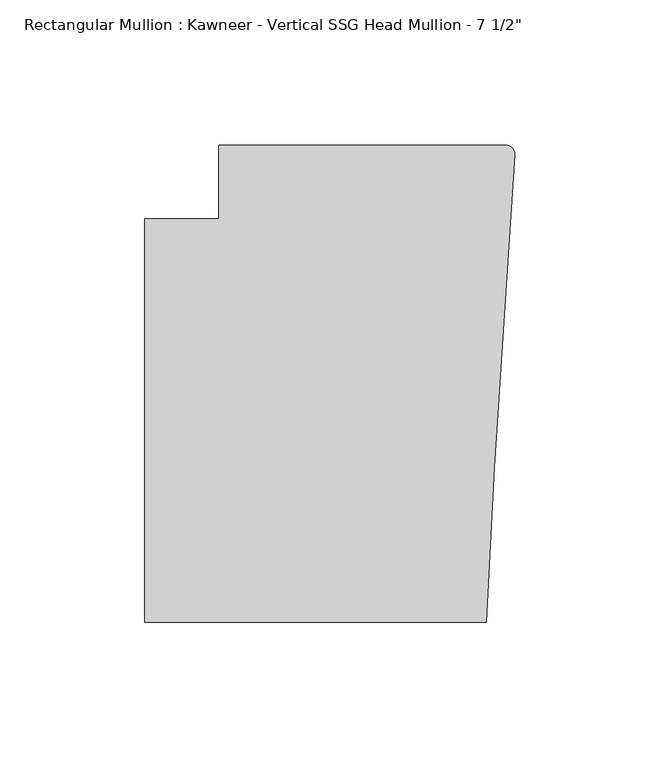
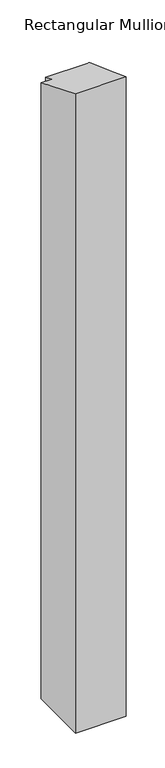
"""IFC4 building model written with IfcOpenShell, lengths in millimetres: member geometry."""

from ifc_helpers import new_model, si_unit, frame, origin, place, context, project, spatial, circle_curve, ellipse_curve, source, transform, mapped, element, save
from ifc_brep_helpers import plane_surface, cylinder_surface, advanced_brep


def member_383f64cc(model_context):
    return source(origin(), model_context, "Body", "AdvancedBrep", [
        advanced_brep(
        [(-102.08978, 12.7, -1513.3454004), (-3.175, 12.7, -1513.3454004), (-0.006635, 9.3198462, -1513.3454004), (-6.9873394, -98.4891117, -1513.3454004), (-9.7860662, -151.892, -1513.3454004), (-127.4896668, -151.892, -1513.3454004), (-127.4896668, -12.7, -1513.3454004), (-102.08978, -12.7, -1513.3454004), (-102.08978, -12.7, 5.2605122), (-102.08978, 12.7, -5.2605122), (-127.4896668, -12.7, 5.2605122), (-127.4896668, -151.892, 62.9157264), (-9.7860662, -151.892, 62.9157264), (-6.9873394, -98.4891117, 40.7955258), (-0.006635, 9.3198462, -3.8604067), (-3.175, 12.7, -5.2605122)],
        [
            (0, 1),
            (1, 2, circle_curve(frame((-3.175, 9.525, -1513.3454004), z_axis=(0.0, 0.0, -1.0), x_axis=(0.0, 1.0, 0.0)), 3.175)),
            (2, 3),
            (3, 4),
            (4, 5),
            (5, 6),
            (6, 7),
            (7, 0),
            (8, 9),
            (9, 0),
            (7, 8),
            (10, 8),
            (6, 10),
            (11, 10),
            (5, 11),
            (12, 11),
            (4, 12),
            (13, 12),
            (3, 13),
            (14, 13),
            (2, 14),
            (15, 14, ellipse_curve(frame((-3.175, 9.525, -3.9453842), z_axis=(0.0, -0.3826834323650882, -0.9238795325112875), x_axis=(0.0, -0.9238795325112877, 0.38268343236508773)), 3.4365952, 3.175)),
            (1, 15),
            (9, 15),
        ],
        [
            plane_surface(frame((0.0, -198.3048028, -1513.3454004), z_axis=(0.0, 0.0, -1.0), x_axis=(-1.0, 0.0, 0.0))),
            plane_surface(frame((-102.08978, 12.7, 0.0), z_axis=(-1.0, 0.0, 0.0), x_axis=(0.0, 0.0, -1.0))),
            plane_surface(frame((-102.08978, -12.7, 0.0), z_axis=(0.0, 1.0, 0.0), x_axis=(0.0, 0.0, -1.0))),
            plane_surface(frame((-127.4896668, -12.7, 0.0), z_axis=(-1.0, 0.0, 0.0), x_axis=(0.0, 0.0, -1.0))),
            plane_surface(frame((-127.4896668, -151.892, 0.0), z_axis=(0.0, -1.0, 0.0), x_axis=(0.0, 0.0, -1.0))),
            plane_surface(frame((-9.7860662, -151.892, 0.0), z_axis=(0.9986295347545738, -0.05233595624294541, 0.0), x_axis=(0.0, 0.0, -1.0))),
            plane_surface(frame((-6.9873394, -98.4891117, 0.0), z_axis=(0.9979102429769694, -0.06461537712995265, 0.0), x_axis=(0.0, 0.0, -1.0))),
            cylinder_surface(frame((-3.175, 9.525, 0.0), z_axis=(0.0, 0.0, 1.0), x_axis=(0.0, 1.0, 0.0)), 3.175),
            plane_surface(frame((-3.175, 12.7, 0.0), z_axis=(0.0, 1.0, 0.0), x_axis=(0.0, 0.0, -1.0))),
            plane_surface(frame((-304.8, 0.0, 0.0), z_axis=(0.0, 0.3826834323650882, 0.9238795325112875), x_axis=(0.0, 0.9238795325112875, -0.3826834323650882))),
        ],
        [
            (0, [[1, 2, 3, 4, 5, 6, 7, 8]]),
            (1, [[9, 10, -8, 11]]),
            (2, [[12, -11, -7, 13]]),
            (3, [[14, -13, -6, 15]]),
            (4, [[16, -15, -5, 17]]),
            (5, [[18, -17, -4, 19]]),
            (6, [[20, -19, -3, 21]]),
            (7, [[22, -21, -2, 23]]),
            (8, [[24, -23, -1, -10]]),
            (9, [[-9, -12, -14, -16, -18, -20, -22, -24]]),
        ],
    ),
    ])


if __name__ == "__main__":
    model = new_model("IFC4")
    model_context = context("Model", 3, world=origin())
    ifc_project = project(units=[si_unit("LENGTHUNIT", "METRE", prefix="MILLI")], contexts=[model_context])
    site = spatial("IfcSite", under=ifc_project)
    building = spatial("IfcBuilding", under=site)
    placement = place(None, origin())
    member_shape = member_383f64cc(model_context)
    element("IfcMember", 1, ObjectType="Rectangular Mullion : Kawneer - Vertical SSG Head Mullion - 7 1/2\"", at=placement, inside=building, context=model_context, shape_type="MappedRepresentation", body=[
        mapped(member_shape, transform((0.0, 0.0, 0.0), x_axis=(1.0, 0.0, 0.0), y_axis=(0.0, 1.0, 0.0), z_axis=(0.0, 0.0, 1.0))),
    ])
    save(model, "model.ifc")
